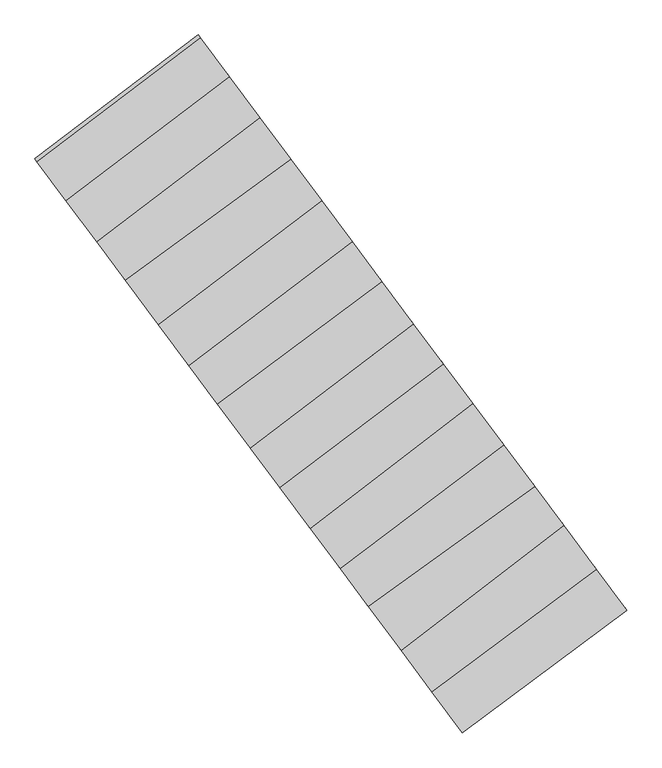
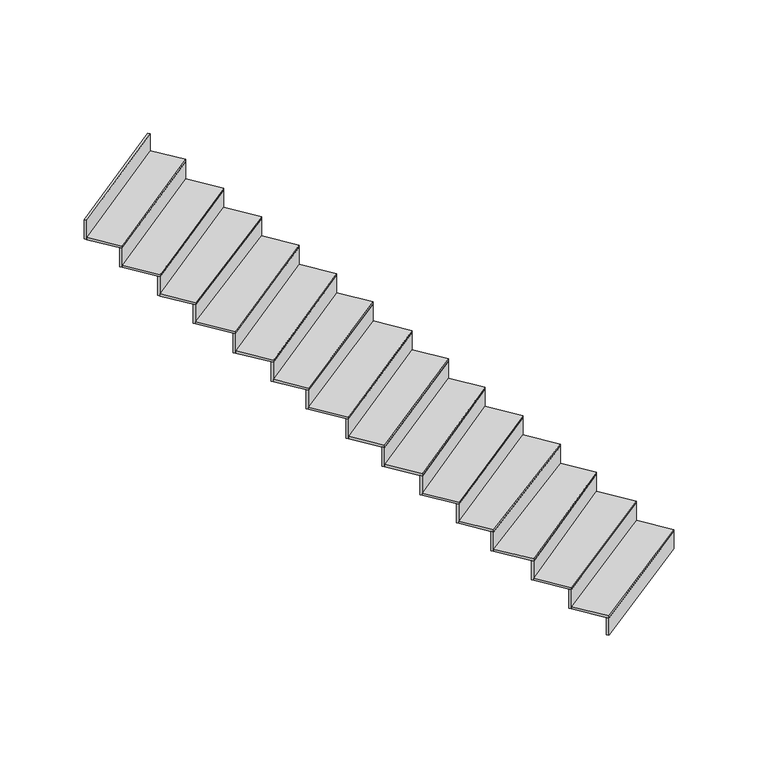
"""IFC4 building model written with IfcOpenShell, lengths in millimetres: stair flight geometry."""

from ifc_helpers import new_model, si_unit, frame, origin, place, context, project, spatial, polyline, outline, extrude, source, transform, mapped, element, save


def stair_flight_918dcc18(model_context):
    return source(origin(), model_context, "Body", "SweptSolid", [
        extrude(outline(polyline([(-99293.4621071, 17305.6187614), (-99281.5125784, 17289.581032), (-100243.1119381, 16573.1043479), (-100255.0580357, 16589.1446338), (-99293.4621071, 17305.6187614)])), frame((0.0, 0.0, -2576.5), z_axis=(0.0, 0.0, 1.0), x_axis=(1.0, 0.0, 0.0)), (0.0, 0.0, 1.0), 151.5197413),
        extrude(outline(polyline([(-100421.5220879, 16812.6595478), (-99459.9739704, 17529.098052), (-99281.5125784, 17289.581032), (-100243.1119381, 16573.1043479), (-100421.5220879, 16812.6595478)])), frame((0.0, 0.0, -2424.9802587), z_axis=(0.0, 0.0, 1.0), x_axis=(1.0, 0.0, 0.0)), (0.0, 0.0, 1.0), 20.0),
        extrude(outline(polyline([(-99471.9234991, 17545.1357814), (-99459.9739704, 17529.098052), (-100421.5220879, 16812.6595478), (-100433.4681856, 16828.6998337), (-99471.9234991, 17545.1357814)])), frame((0.0, 0.0, -2424.9802587), z_axis=(0.0, 0.0, 1.0), x_axis=(1.0, 0.0, 0.0)), (0.0, 0.0, 1.0), 171.5197413),
        extrude(outline(polyline([(-100601.4948665, 17054.3129234), (-99651.3050243, 17785.8877327), (-99459.9739704, 17529.098052), (-100421.5220879, 16812.6595478), (-100601.4948665, 17054.3129234)])), frame((0.0, 0.0, -2253.4605175), z_axis=(0.0, 0.0, 1.0), x_axis=(1.0, 0.0, 0.0)), (0.0, 0.0, 1.0), 20.0),
        extrude(outline(polyline([(-99663.2560411, 17801.9274593), (-99651.3050243, 17785.8877327), (-100601.4948665, 17054.3129234), (-100613.4424922, 17070.355261), (-99663.2560411, 17801.9274593)])), frame((0.0, 0.0, -2253.4605175), z_axis=(0.0, 0.0, 1.0), x_axis=(1.0, 0.0, 0.0)), (0.0, 0.0, 1.0), 171.5197413),
        extrude(outline(polyline([(-100793.0577653, 17311.528606), (-99821.5981053, 18014.4418801), (-99651.3050243, 17785.8877327), (-100601.4948665, 17054.3129234), (-100793.0577653, 17311.528606)])), frame((0.0, 0.0, -2081.9407762), z_axis=(0.0, 0.0, 1.0), x_axis=(1.0, 0.0, 0.0)), (0.0, 0.0, 1.0), 20.0),
        extrude(outline(polyline([(-99833.5488025, 18030.4811778), (-99821.5981053, 18014.4418801), (-100793.0577653, 17311.528606), (-100805.0049953, 17327.5704124), (-99833.5488025, 18030.4811778)])), frame((0.0, 0.0, -2081.9407762), z_axis=(0.0, 0.0, 1.0), x_axis=(1.0, 0.0, 0.0)), (0.0, 0.0, 1.0), 171.5197413),
        extrude(outline(polyline([(-100958.6067613, 17533.8148541), (-100001.7751889, 18256.2615681), (-99821.5981053, 18014.4418801), (-100793.0577653, 17311.528606), (-100958.6067613, 17533.8148541)])), frame((0.0, 0.0, -1910.421035), z_axis=(0.0, 0.0, 1.0), x_axis=(1.0, 0.0, 0.0)), (0.0, 0.0, 1.0), 20.0),
        extrude(outline(polyline([(-100013.72496, 18272.2996228), (-100001.7751889, 18256.2615681), (-100958.6067613, 17533.8148541), (-100970.5531175, 17549.8554872), (-100013.72496, 18272.2996228)])), frame((0.0, 0.0, -1910.421035), z_axis=(0.0, 0.0, 1.0), x_axis=(1.0, 0.0, 0.0)), (0.0, 0.0, 1.0), 171.5197413),
        extrude(outline(polyline([(-101132.156444, 17766.8437987), (-100182.1172235, 18498.3026406), (-100001.7751889, 18256.2615681), (-100958.6067613, 17533.8148541), (-101132.156444, 17766.8437987)])), frame((0.0, 0.0, -1738.9012937), z_axis=(0.0, 0.0, 1.0), x_axis=(1.0, 0.0, 0.0)), (0.0, 0.0, 1.0), 20.0),
        extrude(outline(polyline([(-100194.0682404, 18514.3423672), (-100182.1172235, 18498.3026406), (-101132.156444, 17766.8437987), (-101144.1040697, 17782.8861363), (-100194.0682404, 18514.3423672)])), frame((0.0, 0.0, -1738.9012937), z_axis=(0.0, 0.0, 1.0), x_axis=(1.0, 0.0, 0.0)), (0.0, 0.0, 1.0), 171.5197413),
        extrude(outline(polyline([(-101312.3002555, 18008.7268237), (-100355.5697871, 18731.0972001), (-100182.1172235, 18498.3026406), (-101132.156444, 17766.8437987), (-101312.3002555, 18008.7268237)])), frame((0.0, 0.0, -1567.3815524), z_axis=(0.0, 0.0, 1.0), x_axis=(1.0, 0.0, 0.0)), (0.0, 0.0, 1.0), 20.0),
        extrude(outline(polyline([(-100367.5195582, 18747.1352547), (-100355.5697871, 18731.0972001), (-101312.3002555, 18008.7268237), (-101324.2466117, 18024.7674568), (-100367.5195582, 18747.1352547)])), frame((0.0, 0.0, -1567.3815524), z_axis=(0.0, 0.0, 1.0), x_axis=(1.0, 0.0, 0.0)), (0.0, 0.0, 1.0), 171.5197413),
        extrude(outline(polyline([(-101483.9994367, 18239.2710596), (-100529.5992036, 18964.6659668), (-100355.5697871, 18731.0972001), (-101312.3002555, 18008.7268237), (-101483.9994367, 18239.2710596)])), frame((0.0, 0.0, -1395.8618112), z_axis=(0.0, 0.0, 1.0), x_axis=(1.0, 0.0, 0.0)), (0.0, 0.0, 1.0), 20.0),
        extrude(outline(polyline([(-100541.5492777, 18980.7044281), (-100529.5992036, 18964.6659668), (-101483.9994367, 18239.2710596), (-101495.9461039, 18255.3121103), (-100541.5492777, 18980.7044281)])), frame((0.0, 0.0, -1395.8618112), z_axis=(0.0, 0.0, 1.0), x_axis=(1.0, 0.0, 0.0)), (0.0, 0.0, 1.0), 171.5197413),
        extrude(outline(polyline([(-101675.8772007, 18496.9095188), (-100714.536136, 19212.8739542), (-100529.5992036, 18964.6659668), (-101483.9994367, 18239.2710596), (-101675.8772007, 18496.9095188)])), frame((0.0, 0.0, -1224.3420699), z_axis=(0.0, 0.0, 1.0), x_axis=(1.0, 0.0, 0.0)), (0.0, 0.0, 1.0), 20.0),
        extrude(outline(polyline([(-100726.485665, 19228.911684), (-100714.536136, 19212.8739542), (-101675.8772007, 18496.9095188), (-101687.8232981, 18512.9498043), (-100726.485665, 19228.911684)])), frame((0.0, 0.0, -1224.3420699), z_axis=(0.0, 0.0, 1.0), x_axis=(1.0, 0.0, 0.0)), (0.0, 0.0, 1.0), 171.5197413),
        extrude(outline(polyline([(-101842.399454, 18720.5025805), (-100888.101426, 19445.8198064), (-100714.536136, 19212.8739542), (-101675.8772007, 18496.9095188), (-101842.399454, 18720.5025805)])), frame((0.0, 0.0, -1052.8223286), z_axis=(0.0, 0.0, 1.0), x_axis=(1.0, 0.0, 0.0)), (0.0, 0.0, 1.0), 20.0),
        extrude(outline(polyline([(-100900.0515001, 19461.8582677), (-100888.101426, 19445.8198064), (-101842.399454, 18720.5025805), (-101854.3461212, 18736.5436312), (-100900.0515001, 19461.8582677)])), frame((0.0, 0.0, -1052.8223286), z_axis=(0.0, 0.0, 1.0), x_axis=(1.0, 0.0, 0.0)), (0.0, 0.0, 1.0), 171.5197413),
        extrude(outline(polyline([(-102021.5994626, 18961.118341), (-101067.3525372, 19686.3967262), (-100888.101426, 19445.8198064), (-101842.399454, 18720.5025805), (-102021.5994626, 18961.118341)])), frame((0.0, 0.0, -881.3025874), z_axis=(0.0, 0.0, 1.0), x_axis=(1.0, 0.0, 0.0)), (0.0, 0.0, 1.0), 20.0),
        extrude(outline(polyline([(-101079.3026113, 19702.4351875), (-101067.3525372, 19686.3967262), (-102021.5994626, 18961.118341), (-102033.5461299, 18977.1593917), (-101079.3026113, 19702.4351875)])), frame((0.0, 0.0, -881.3025874), z_axis=(0.0, 0.0, 1.0), x_axis=(1.0, 0.0, 0.0)), (0.0, 0.0, 1.0), 171.5197413),
        extrude(outline(polyline([(-102213.9917347, 19219.4476413), (-101247.2841337, 19927.8869405), (-101067.3525372, 19686.3967262), (-102021.5994626, 18961.118341), (-102213.9917347, 19219.4476413)])), frame((0.0, 0.0, -709.7828461), z_axis=(0.0, 0.0, 1.0), x_axis=(1.0, 0.0, 0.0)), (0.0, 0.0, 1.0), 20.0),
        extrude(outline(polyline([(-101259.2340376, 19943.9251734), (-101247.2841337, 19927.8869405), (-102213.9917347, 19219.4476413), (-102225.9381871, 19235.4884036), (-101259.2340376, 19943.9251734)])), frame((0.0, 0.0, -709.7828461), z_axis=(0.0, 0.0, 1.0), x_axis=(1.0, 0.0, 0.0)), (0.0, 0.0, 1.0), 171.5197413),
        extrude(outline(polyline([(-102382.4758339, 19445.6749165), (-101428.3318198, 20170.8750836), (-101247.2841337, 19927.8869405), (-102213.9917347, 19219.4476413), (-102382.4758339, 19445.6749165)])), frame((0.0, 0.0, -538.2631049), z_axis=(0.0, 0.0, 1.0), x_axis=(1.0, 0.0, 0.0)), (0.0, 0.0, 1.0), 20.0),
        extrude(outline(polyline([(-101440.2818939, 20186.9135449), (-101428.3318198, 20170.8750836), (-102382.4758339, 19445.6749165), (-102394.4225012, 19461.7159672), (-101440.2818939, 20186.9135449)])), frame((0.0, 0.0, -538.2631049), z_axis=(0.0, 0.0, 1.0), x_axis=(1.0, 0.0, 0.0)), (0.0, 0.0, 1.0), 171.5197413),
        extrude(outline(polyline([(-102562.0371249, 19686.7757786), (-101607.9443164, 20411.9370267), (-101428.3318198, 20170.8750836), (-102382.4758339, 19445.6749165), (-102562.0371249, 19686.7757786)])), frame((0.0, 0.0, -366.7433636), z_axis=(0.0, 0.0, 1.0), x_axis=(1.0, 0.0, 0.0)), (0.0, 0.0, 1.0), 20.0),
        extrude(outline(polyline([(-101619.8943905, 20427.975488), (-101607.9443164, 20411.9370267), (-102562.0371249, 19686.7757786), (-102573.9837921, 19702.8168293), (-101619.8943905, 20427.975488)])), frame((0.0, 0.0, -366.7433636), z_axis=(0.0, 0.0, 1.0), x_axis=(1.0, 0.0, 0.0)), (0.0, 0.0, 1.0), 171.5197413),
        extrude(outline(polyline([(-101789.1812447, 20655.179156), (-101777.2311706, 20639.1406947), (-102731.2757173, 19914.0161282), (-102743.2223845, 19930.0571789), (-101789.1812447, 20655.179156)])), frame((0.0, 0.0, -195.2236223), z_axis=(0.0, 0.0, 1.0), x_axis=(1.0, 0.0, 0.0)), (0.0, 0.0, 1.0), 171.5197413),
        extrude(outline(polyline([(-102731.2757173, 19914.0161282), (-101777.2311706, 20639.1406947), (-101607.9443164, 20411.9370267), (-102562.0371249, 19686.7757786), (-102731.2757173, 19914.0161282)])), frame((0.0, 0.0, -195.2236223), z_axis=(0.0, 0.0, 1.0), x_axis=(1.0, 0.0, 0.0)), (0.0, 0.0, 1.0), 20.0),
    ])


if __name__ == "__main__":
    model = new_model("IFC4")
    model_context = context("Model", 3, world=origin())
    ifc_project = project(units=[si_unit("LENGTHUNIT", "METRE", prefix="MILLI")], contexts=[model_context])
    site = spatial("IfcSite", under=ifc_project)
    building = spatial("IfcBuilding", under=site)
    placement = place(None, origin())
    stair_flight_shape = stair_flight_918dcc18(model_context)
    element("IfcStairFlight", 1, at=placement, inside=building, context=model_context, shape_type="MappedRepresentation", body=[
        mapped(stair_flight_shape, transform((0.0, 0.0, 0.0), x_axis=(1.0, 0.0, 0.0), y_axis=(0.0, 1.0, 0.0), z_axis=(0.0, 0.0, 1.0))),
    ])
    save(model, "model.ifc")
